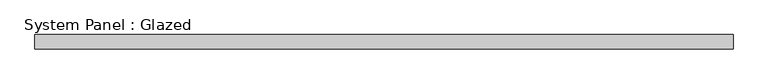
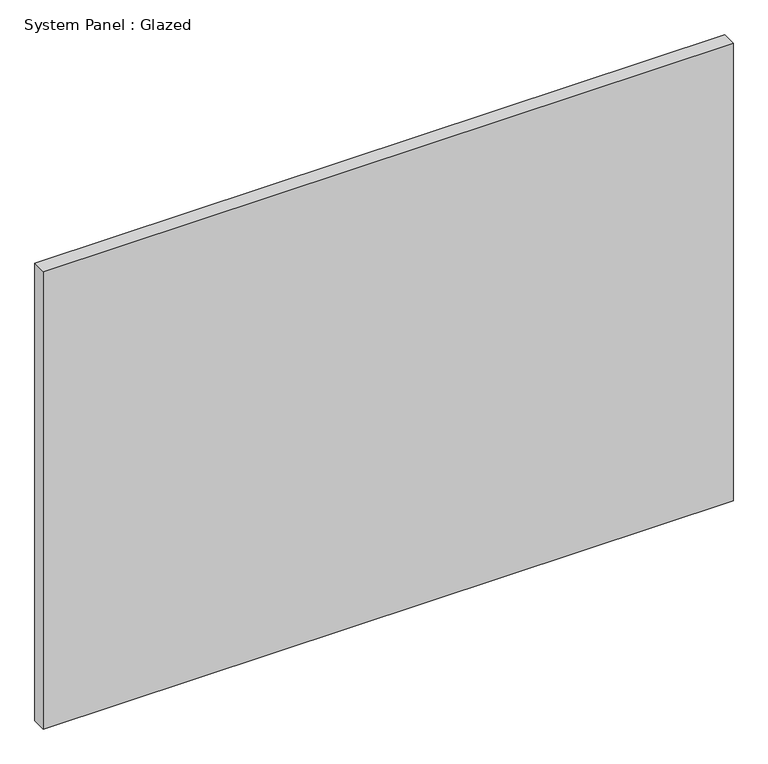
"""IFC4 building model written with IfcOpenShell, lengths in millimetres: plate geometry, System Panel : Glazed."""

from ifc_helpers import new_model, si_unit, origin, origin_with_axes, place, context, project, spatial, polyline, outline, extrude, source, transform, mapped, element, save


def system_panel_glazed_6d6bd061(model_context):
    return source(origin(), model_context, "Body", "SweptSolid", [
        extrude(outline(polyline([(615.95, 19.05), (-615.95, 19.05), (-615.95, 44.45), (615.95, 44.45), (615.95, 19.05)])), origin_with_axes(), (0.0, 0.0, 1.0), 863.6),
    ])


if __name__ == "__main__":
    model = new_model("IFC4")
    model_context = context("Model", 3, world=origin())
    ifc_project = project(units=[si_unit("LENGTHUNIT", "METRE", prefix="MILLI")], contexts=[model_context])
    site = spatial("IfcSite", under=ifc_project)
    building = spatial("IfcBuilding", under=site)
    placement = place(None, origin())
    system_panel_glazed_shape = system_panel_glazed_6d6bd061(model_context)
    element("IfcPlate", 1, ObjectType="System Panel : Glazed", at=placement, inside=building, context=model_context, shape_type="MappedRepresentation", body=[
        mapped(system_panel_glazed_shape, transform((0.0, 0.0, 0.0), x_axis=(1.0, 0.0, 0.0), y_axis=(0.0, 1.0, 0.0), z_axis=(0.0, 0.0, 1.0))),
    ])
    save(model, "model.ifc")
